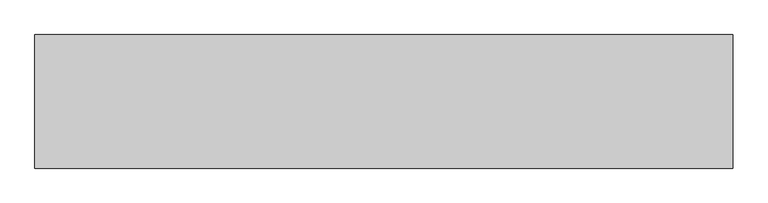
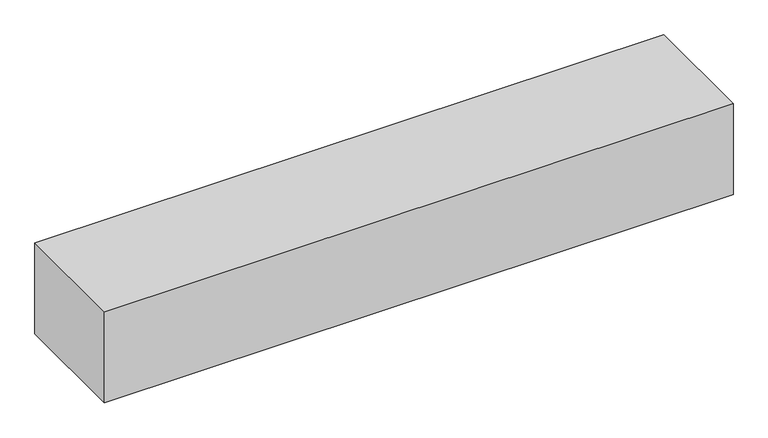
"""IFC4 building model written with IfcOpenShell, lengths in millimetres: geographic element geometry."""

import ifcopenshell
import ifcopenshell.guid

model = None  # the IFC model being written
_history = None  # IfcOwnerHistory: only IFC2X3 demands one
_inside = {}  # id of a spatial element -> (the spatial element, [elements in it])
_under = {}  # id of a project, library or spatial element -> (it, [spatial elements below it])
_declared = {}  # id of a project -> (the project, [libraries it declares])
_typed = {}  # id of a type object -> (the type object, [elements of that type])
_made_of = {}  # id of a material, layer set ... -> (it, [elements and type objects made of it])


def new_model(schema):
    """Start an empty IFC model of exactly this schema.

    Asked for "IFC4X3", IfcOpenShell would pick the latest addendum, in which some entities
    have other attributes; the version numbers below select the first issue.
    IFC2X3 requires an IfcOwnerHistory on every rooted entity: one is made here for all.
    """
    global model, _history
    if schema == "IFC4X3":
        model = ifcopenshell.file(schema_version=(4, 3, 0, 0))
    else:
        model = ifcopenshell.file(schema=schema)
    _inside.clear()
    _under.clear()
    _declared.clear()
    _typed.clear()
    _made_of.clear()
    _history = None
    if model.schema == "IFC2X3":
        org = make("IfcOrganization", Name="unknown")
        user = make(
            "IfcPersonAndOrganization",
            ThePerson=make("IfcPerson", FamilyName="unknown"),
            TheOrganization=org,
        )
        app = make(
            "IfcApplication",
            ApplicationDeveloper=org,
            Version="unknown",
            ApplicationFullName="unknown",
            ApplicationIdentifier="unknown",
        )
        _history = make(
            "IfcOwnerHistory",
            OwningUser=user,
            OwningApplication=app,
            ChangeAction="ADDED",
            CreationDate=0,
        )
    return model


def make(cls, **values):
    """One entity of the class cls with the attributes given. An attribute that is None is left unset."""
    return model.create_entity(
        cls, **{name: value for name, value in values.items() if value is not None}
    )


def rooted(cls, **values):
    """An entity with a GlobalId (a new one), such as an element, a storey or a relation."""
    return make(cls, GlobalId=ifcopenshell.guid.new(), OwnerHistory=_history, **values)


def si_unit(unit_type, name, prefix=None):
    """IfcSIUnit, for example si_unit("LENGTHUNIT", "METRE", prefix="MILLI")."""
    return make("IfcSIUnit", UnitType=unit_type, Prefix=prefix, Name=name)


def assignment(units):
    """IfcUnitAssignment: the units of a project."""
    return None if units is None else make("IfcUnitAssignment", Units=units)


def point(xyz):
    """IfcCartesianPoint."""
    return None if xyz is None else make("IfcCartesianPoint", Coordinates=xyz)


def direction(xyz):
    """IfcDirection."""
    return None if xyz is None else make("IfcDirection", DirectionRatios=xyz)


def frame(location, z_axis=None, x_axis=None):
    """IfcAxis2Placement3D, a coordinate frame: its origin and axes. An axis left out is left unset."""
    return make(
        "IfcAxis2Placement3D",
        Location=point(location),
        Axis=direction(z_axis),
        RefDirection=direction(x_axis),
    )


def origin():
    """The frame at (0, 0, 0) with its axes left unset."""
    return frame((0.0, 0.0, 0.0))


def origin_with_axes():
    """The frame at (0, 0, 0) with the z axis (0, 0, 1) and the x axis (1, 0, 0) written out."""
    return frame((0.0, 0.0, 0.0), z_axis=(0.0, 0.0, 1.0), x_axis=(1.0, 0.0, 0.0))


def place(relative_to, where):
    """IfcLocalPlacement: puts the frame where relative to a parent placement (None: the world)."""
    return make(
        "IfcLocalPlacement", PlacementRelTo=relative_to, RelativePlacement=where
    )


def context(
    kind, dimensions, precision=None, world=None, true_north=None, identifier=None
):
    """IfcGeometricRepresentationContext, for example the 3D "Model" context."""
    return make(
        "IfcGeometricRepresentationContext",
        ContextIdentifier=identifier,
        ContextType=kind,
        CoordinateSpaceDimension=dimensions,
        Precision=precision,
        WorldCoordinateSystem=world,
        TrueNorth=true_north,
    )


def project(units=None, contexts=None):
    """IfcProject with its units and contexts."""
    return rooted(
        "IfcProject",
        Name="project",
        RepresentationContexts=contexts,
        UnitsInContext=assignment(units),
    )


def spatial(cls, under=None, at=None, **own):
    """A site, building, storey or space (cls), placed at a placement, below another one or the project."""
    s = rooted(cls, ObjectPlacement=at, **own)
    if under is not None:
        _under.setdefault(under.id(), (under, []))[1].append(s)
    return s


def polyline(points):
    """IfcPolyline through the points."""
    return make("IfcPolyline", Points=[point(p) for p in points])


def outline(outer, holes=None, kind="AREA"):
    """IfcArbitraryClosedProfileDef: a profile drawn as a closed curve; with holes, ...WithVoids."""
    if holes is None:
        return make("IfcArbitraryClosedProfileDef", ProfileType=kind, OuterCurve=outer)
    return make(
        "IfcArbitraryProfileDefWithVoids",
        ProfileType=kind,
        OuterCurve=outer,
        InnerCurves=holes,
    )


def extrude(swept, where, along, depth):
    """IfcExtrudedAreaSolid: the profile swept, set in the frame where, extruded along a direction by depth."""
    return make(
        "IfcExtrudedAreaSolid",
        SweptArea=swept,
        Position=where,
        ExtrudedDirection=direction(along),
        Depth=depth,
    )


def shape(context_of_items, identifier, shape_type, items):
    """IfcShapeRepresentation: the items that make up one representation, for example the "Body"."""
    return make(
        "IfcShapeRepresentation",
        ContextOfItems=context_of_items,
        RepresentationIdentifier=identifier,
        RepresentationType=shape_type,
        Items=items,
    )


def source(mapping_origin, context_of_items, identifier, shape_type, items):
    """IfcRepresentationMap: a shape defined once, which mapped items show again and again."""
    return make(
        "IfcRepresentationMap",
        MappingOrigin=mapping_origin,
        MappedRepresentation=shape(context_of_items, identifier, shape_type, items),
    )


def transform(
    local_origin,
    x_axis=None,
    y_axis=None,
    z_axis=None,
    scale=None,
    scale2=None,
    scale3=None,
    uniform=True,
):
    """IfcCartesianTransformationOperator3D, or its non-uniform kind. x_axis, y_axis, z_axis: its Axis1, 2, 3."""
    if uniform:
        return make(
            "IfcCartesianTransformationOperator3D",
            Axis1=direction(x_axis),
            Axis2=direction(y_axis),
            LocalOrigin=point(local_origin),
            Scale=scale,
            Axis3=direction(z_axis),
        )
    return make(
        "IfcCartesianTransformationOperator3DnonUniform",
        Axis1=direction(x_axis),
        Axis2=direction(y_axis),
        LocalOrigin=point(local_origin),
        Scale=scale,
        Axis3=direction(z_axis),
        Scale2=scale2,
        Scale3=scale3,
    )


def mapped(mapping_source, mapping_target):
    """IfcMappedItem: shows the shape of a source again, moved by a transform."""
    return make(
        "IfcMappedItem", MappingSource=mapping_source, MappingTarget=mapping_target
    )


def made_of(thing, what):
    """Note that an element or type object is made of a material, layer set ...; save() writes the relation."""
    if what is not None:
        _made_of.setdefault(what.id(), (what, []))[1].append(thing)
    return thing


def element(
    cls,
    number,
    at=None,
    inside=None,
    cuts=None,
    type_object=None,
    material=None,
    context=None,
    identifier="Body",
    shape_type=None,
    held_by="IfcProductDefinitionShape",
    body=None,
    shapes=None,
    **own,
):
    """One element of the class cls, such as IfcWall. Its Tag is "e" and its number.

    at: its placement. inside: the storey or other place that contains it. cuts: it is an
    opening in that element (IfcRelVoidsElement). A single representation is given by context,
    identifier, shape_type and body (its items); several are given by shapes. held_by: the class
    of the entity that holds the representations. save() writes the other relations.
    """
    e = rooted(cls, Tag="e%d" % number, ObjectPlacement=at, **own)
    if body is not None:
        shapes = [shape(context, identifier, shape_type, body)]
    if shapes is not None:
        e.Representation = make(held_by, Representations=shapes)
    if inside is not None:
        _inside.setdefault(inside.id(), (inside, []))[1].append(e)
    if cuts is not None:
        rooted(
            "IfcRelVoidsElement", RelatingBuildingElement=cuts, RelatedOpeningElement=e
        )
    if type_object is not None:
        _typed.setdefault(type_object.id(), (type_object, []))[1].append(e)
    return made_of(e, material)


def aggregate(whole, parts):
    """IfcRelAggregates: a whole, such as a stair, and the parts it consists of."""
    return rooted("IfcRelAggregates", RelatingObject=whole, RelatedObjects=parts)


def save(model, path):
    """Write the relations noted so far, then the file.

    IfcRelAggregates (storeys below a building ...), IfcRelContainedInSpatialStructure (elements
    in a storey), IfcRelDefinesByType, IfcRelAssociatesMaterial and IfcRelDeclares: one each for
    every whole, place, type object, material and project.
    """
    for whole, parts in _under.values():
        aggregate(whole, parts)
    for where, things in _inside.values():
        rooted(
            "IfcRelContainedInSpatialStructure",
            RelatedElements=things,
            RelatingStructure=where,
        )
    for kind, things in _typed.values():
        rooted("IfcRelDefinesByType", RelatedObjects=things, RelatingType=kind)
    for what, things in _made_of.values():
        rooted("IfcRelAssociatesMaterial", RelatedObjects=things, RelatingMaterial=what)
    for by, libraries in _declared.values():
        rooted("IfcRelDeclares", RelatingContext=by, RelatedDefinitions=libraries)
    model.write(path)


def geographic_element_438879f5(model_context):
    return source(origin(), model_context, "Body", "SweptSolid", [
        extrude(outline(polyline([(0.0, 0.0), (0.0, 500.0), (2612.5063635, 500.0), (2612.5063635, 0.0), (0.0, 0.0)])), origin_with_axes(), (0.0, 0.0, 1.0), 400.0),
    ])


if __name__ == "__main__":
    model = new_model("IFC4")
    model_context = context("Model", 3, world=origin())
    ifc_project = project(units=[si_unit("LENGTHUNIT", "METRE", prefix="MILLI")], contexts=[model_context])
    site = spatial("IfcSite", under=ifc_project)
    building = spatial("IfcBuilding", under=site)
    placement = place(None, origin())
    geographic_element_shape = geographic_element_438879f5(model_context)
    element("IfcGeographicElement", 1, at=placement, inside=building, context=model_context, shape_type="MappedRepresentation", body=[
        mapped(geographic_element_shape, transform((0.0, 0.0, 0.0), x_axis=(1.0, 0.0, 0.0), y_axis=(0.0, 1.0, 0.0), z_axis=(0.0, 0.0, 1.0))),
    ])
    save(model, "model.ifc")
